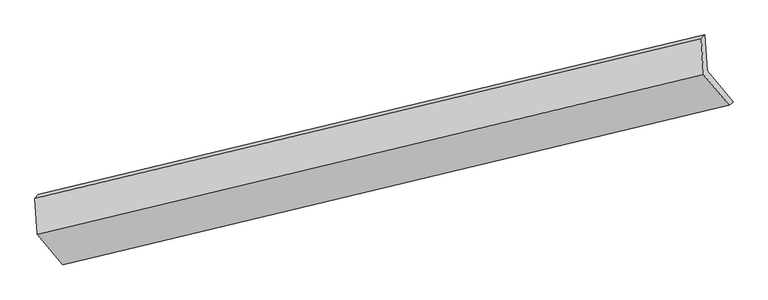
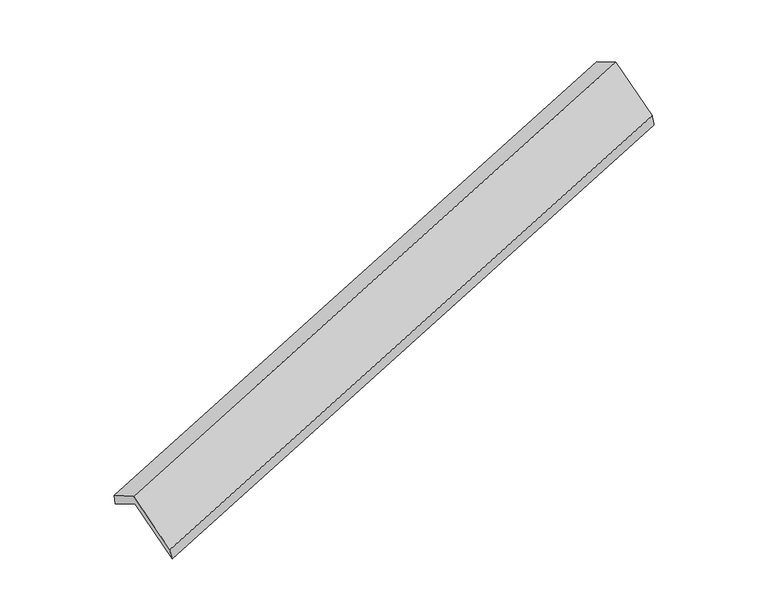
"""IFC4 building model written with IfcOpenShell, lengths in millimetres: proxy geometry."""

from ifc_helpers import new_model, si_unit, frame, origin, place, context, project, spatial, source, transform, mapped, element, save
from ifc_brep_helpers import plane_surface, spline_surface, advanced_brep


def generic_models_043cd831(model_context):
    return source(origin(), model_context, "Body", "AdvancedBrep", [
        advanced_brep(
        [(-6067.805294, -2266.0955249, 1088.8859558), (-6089.2165723, -1916.882117, 894.9341282), (210.2085203, -406.6389228, 2939.3528673), (231.0845597, -747.1226982, 3128.4562894), (-6122.8344195, -1954.6981867, 1029.268958), (176.5906731, -444.4549925, 3073.6876971), (-6102.0440441, -2293.7847996, 1217.5964013), (197.3810484, -783.5416055, 3262.0151404), (-5860.2560752, -2582.4272889, 671.1987821), (439.1690174, -1072.1840948, 2715.6175212), (-5821.6992148, -2559.8929031, 532.7301786), (477.190639, -1040.9200764, 2572.3005122)],
        [
            (0, 1),
            (1, 2),
            (2, 3),
            (3, 0),
            (1, 4),
            (4, 5),
            (5, 2),
            (4, 6),
            (6, 7),
            (7, 5),
            (6, 8),
            (8, 9),
            (9, 7),
            (8, 10),
            (10, 11),
            (11, 9),
            (10, 0),
            (3, 11),
        ],
        [
            plane_surface(frame((-6078.5109332, -2091.4888209, 991.910042), z_axis=(0.3705249816860217, -0.4335118518755755, -0.8214491537703246), x_axis=(-0.05352388747273907, 0.872963253060351, -0.48484054314392383))),
            plane_surface(frame((-6106.0254959, -1935.7901518, 962.1015431), z_axis=(-0.287348463477438, 0.938336652618598, 0.19223731919083853), x_axis=(-0.2341921886271857, -0.26343828878665493, 0.9358174430876824))),
            plane_surface(frame((-6112.4392318, -2124.2414932, 1123.4326797), z_axis=(-0.37052498168602066, 0.4335118518755839, 0.8214491537703207), x_axis=(0.053523887472716816, -0.8729632530603516, 0.4848405431439253))),
            plane_surface(frame((-5981.1500597, -2438.1060443, 944.3975917), z_axis=(0.052155141269090155, -0.8732872660713002, 0.4844060199428939), x_axis=(0.3643740086414838, -0.43498368155884987, -0.8234201713609188))),
            spline_surface(1, 1, [[(-5860.2560752, -2582.4272889, 671.1987821), (439.1690174, -1072.1840948, 2715.6175212)], [(-5821.6992148, -2559.8929031, 532.7301786), (477.190639, -1040.9200764, 2572.3005122)]], [2, 2], [2, 2], [0.0, 1.0], [0.0, 1.0]),
            plane_surface(frame((-5944.7522544, -2412.994214, 810.8080672), z_axis=(-0.053523887472738146, 0.8729632530603497, -0.4848405431439265), x_axis=(-0.3643740086414742, 0.43498368155884753, 0.8234201713609244))),
            plane_surface(frame((288.6040763, -749.1437317, 2948.5716713), z_axis=(0.9297132758524794, 0.22073594085197024, 0.2948031022900664), x_axis=(0.25090988020722454, 0.206315532754179, -0.9457685409013961))),
            plane_surface(frame((-6010.6426033, -2262.2968034, 905.7690673), z_axis=(-0.9297132758524789, -0.2207359408519785, -0.29480310229006174), x_axis=(0.3643740086414742, -0.43498368155884753, -0.8234201713609244))),
        ],
        [
            (0, [[1, 2, 3, 4]]),
            (1, [[5, 6, 7, -2]]),
            (2, [[8, 9, 10, -6]]),
            (3, [[11, 12, 13, -9]]),
            (4, [[14, 15, 16, -12]]),
            (5, [[17, -4, 18, -15]]),
            (6, [[-16, -18, -3, -7, -10, -13]]),
            (7, [[-17, -14, -11, -8, -5, -1]]),
        ],
    ),
    ])


if __name__ == "__main__":
    model = new_model("IFC4")
    model_context = context("Model", 3, world=origin())
    ifc_project = project(units=[si_unit("LENGTHUNIT", "METRE", prefix="MILLI")], contexts=[model_context])
    site = spatial("IfcSite", under=ifc_project)
    building = spatial("IfcBuilding", under=site)
    placement = place(None, origin())
    generic_models_shape = generic_models_043cd831(model_context)
    element("IfcBuildingElementProxy", 1, Name="Generic Models", at=placement, inside=building, context=model_context, shape_type="MappedRepresentation", body=[
        mapped(generic_models_shape, transform((0.0, 0.0, 0.0), x_axis=(1.0, 0.0, 0.0), y_axis=(0.0, 1.0, 0.0), z_axis=(0.0, 0.0, 1.0))),
    ])
    save(model, "model.ifc")
